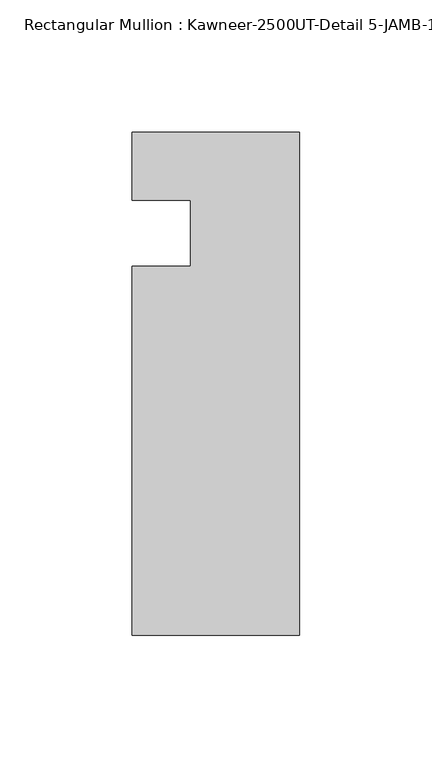
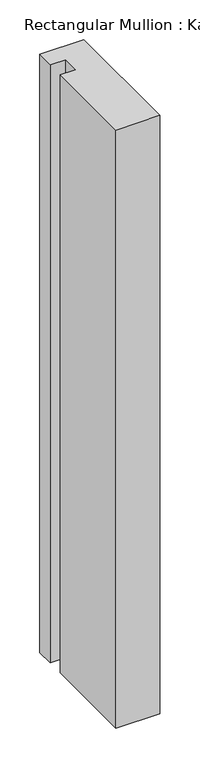
"""IFC4 building model written with IfcOpenShell, lengths in millimetres: member geometry, Rectangular Mullion : Kawneer-2500UT-Detail 5-JAMB-1 INCH INFILL."""

from ifc_helpers import new_model, si_unit, frame, origin, place, context, project, spatial, polyline, outline, extrude, source, transform, mapped, element, save


def rectangular_mullion_kawneer_2500ut_detail_5_jamb_1_inch_7f935866(model_context):
    return source(origin(), model_context, "Body", "SweptSolid", [
        extrude(outline(polyline([(-82.7668749, -165.1096688), (-82.7668749, -25.4096738), (-60.5419882, -25.4096738), (-60.5419882, -0.3273021), (-82.7668749, -0.3273021), (-82.7668749, 25.3903262), (-19.2668749, 25.3903262), (-19.2668749, -165.1096688), (-82.7668749, -165.1096688)])), frame((0.0, 0.0, -914.4), z_axis=(0.0, 0.0, 1.0), x_axis=(1.0, 0.0, 0.0)), (0.0, 0.0, 1.0), 914.4),
    ])


if __name__ == "__main__":
    model = new_model("IFC4")
    model_context = context("Model", 3, world=origin())
    ifc_project = project(units=[si_unit("LENGTHUNIT", "METRE", prefix="MILLI")], contexts=[model_context])
    site = spatial("IfcSite", under=ifc_project)
    building = spatial("IfcBuilding", under=site)
    placement = place(None, origin())
    rectangular_mullion_kawneer_2500ut_detail_5_jamb_1_inch_shape = rectangular_mullion_kawneer_2500ut_detail_5_jamb_1_inch_7f935866(model_context)
    element("IfcMember", 1, ObjectType="Rectangular Mullion : Kawneer-2500UT-Detail 5-JAMB-1 INCH INFILL", at=placement, inside=building, context=model_context, shape_type="MappedRepresentation", body=[
        mapped(rectangular_mullion_kawneer_2500ut_detail_5_jamb_1_inch_shape, transform((0.0, 0.0, 0.0), x_axis=(1.0, 0.0, 0.0), y_axis=(0.0, 1.0, 0.0), z_axis=(0.0, 0.0, 1.0))),
    ])
    save(model, "model.ifc")
